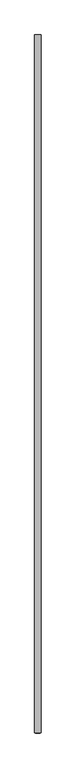
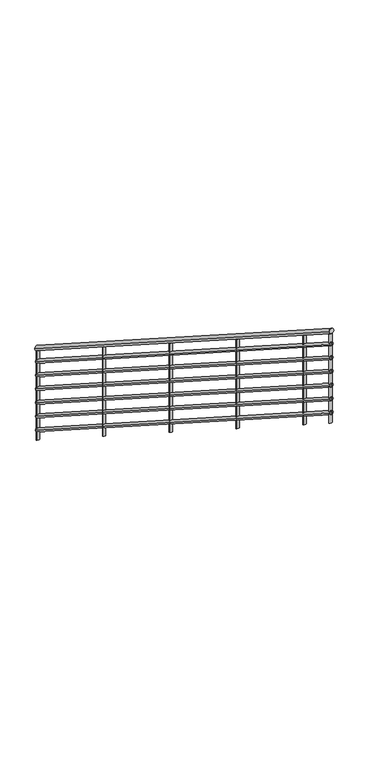
"""IFC4 building model written with IfcOpenShell, lengths in millimetres: railing geometry."""

from ifc_helpers import new_model, si_unit, frame, origin, place, context, project, spatial, ellipse_curve, source, transform, mapped, element, save
from ifc_brep_helpers import plane_surface, cylinder_surface, advanced_brep


def railing_db334da6(model_context):
    return source(origin(), model_context, "Body", "AdvancedBrep", [
        advanced_brep(
        [(187.2427718, -30005.6438645, 1052.7068065), (227.2427718, -30005.6438645, 1052.7068065), (187.2427718, -34405.6438645, 3876.2362183), (227.2427718, -34405.6438645, 3876.2362183)],
        [
            (0, 1, ellipse_curve(frame((207.2427718, -30005.6438645, 1052.7068065), z_axis=(0.0, 1.0, 0.0), x_axis=(0.0, 0.0, -1.0)), 23.7637817, 20.0)),
            (1, 0, ellipse_curve(frame((207.2427718, -30005.6438645, 1052.7068065), z_axis=(0.0, 1.0, 0.0), x_axis=(0.0, 0.0, -1.0)), 23.7637817, 20.0)),
            (2, 3, ellipse_curve(frame((207.2427718, -34405.6438645, 3876.2362183), z_axis=(0.0, -1.0, 0.0), x_axis=(0.0, 0.0, -1.0)), 23.7637817, 20.0)),
            (3, 2, ellipse_curve(frame((207.2427718, -34405.6438645, 3876.2362183), z_axis=(0.0, -1.0, 0.0), x_axis=(0.0, 0.0, -1.0)), 23.7637817, 20.0)),
            (0, 2),
            (3, 1),
        ],
        [
            plane_surface(frame((207.2427718, -30005.6438645, 1076.4705882), z_axis=(0.0, 1.0, 0.0), x_axis=(0.0, 0.0, -1.0))),
            plane_surface(frame((207.2427718, -34405.6438645, 3900.0), z_axis=(0.0, -1.0, 0.0), x_axis=(0.0, 0.0, -1.0))),
            cylinder_surface(frame((207.2427718, -30016.4453647, 1059.6382505), z_axis=(0.0, 0.841616887662225, -0.5400750081254915), x_axis=(1.0, 0.0, 0.0)), 20.0),
        ],
        [
            (0, [[1, 2]]),
            (1, [[3, 4]]),
            (2, [[-1, 5, -4, 6]]),
            (2, [[-2, -6, -3, -5]]),
        ],
    ),
        advanced_brep(
        [(192.2427718, -30005.6438645, 933.647752), (222.2427718, -30005.6438645, 933.647752), (192.2427718, -34405.6438645, 3757.1771637), (222.2427718, -34405.6438645, 3757.1771637)],
        [
            (0, 1, ellipse_curve(frame((207.2427718, -30005.6438645, 933.647752), z_axis=(0.0, 1.0, 0.0), x_axis=(0.0, 0.0, -1.0)), 17.8228363, 15.0)),
            (1, 0, ellipse_curve(frame((207.2427718, -30005.6438645, 933.647752), z_axis=(0.0, 1.0, 0.0), x_axis=(0.0, 0.0, -1.0)), 17.8228363, 15.0)),
            (2, 3, ellipse_curve(frame((207.2427718, -34405.6438645, 3757.1771637), z_axis=(0.0, -1.0, 0.0), x_axis=(0.0, 0.0, -1.0)), 17.8228363, 15.0)),
            (3, 2, ellipse_curve(frame((207.2427718, -34405.6438645, 3757.1771637), z_axis=(0.0, -1.0, 0.0), x_axis=(0.0, 0.0, -1.0)), 17.8228363, 15.0)),
            (0, 2),
            (3, 1),
        ],
        [
            plane_surface(frame((207.2427718, -30005.6438645, 951.4705882), z_axis=(0.0, 1.0, 0.0), x_axis=(0.0, 0.0, -1.0))),
            plane_surface(frame((207.2427718, -34405.6438645, 3775.0), z_axis=(0.0, -1.0, 0.0), x_axis=(0.0, 0.0, -1.0))),
            cylinder_surface(frame((207.2427718, -30013.7449896, 938.8463349), z_axis=(0.0, 0.841616887662225, -0.5400750081254915), x_axis=(1.0, 0.0, 0.0)), 15.0),
        ],
        [
            (0, [[1, 2]]),
            (1, [[3, 4]]),
            (2, [[-1, 5, -4, 6]]),
            (2, [[-2, -6, -3, -5]]),
        ],
    ),
        advanced_brep(
        [(192.2427718, -30005.6438645, 808.647752), (222.2427718, -30005.6438645, 808.647752), (192.2427718, -34405.6438645, 3632.1771637), (222.2427718, -34405.6438645, 3632.1771637)],
        [
            (0, 1, ellipse_curve(frame((207.2427718, -30005.6438645, 808.647752), z_axis=(0.0, 1.0, 0.0), x_axis=(0.0, 0.0, -1.0)), 17.8228363, 15.0)),
            (1, 0, ellipse_curve(frame((207.2427718, -30005.6438645, 808.647752), z_axis=(0.0, 1.0, 0.0), x_axis=(0.0, 0.0, -1.0)), 17.8228363, 15.0)),
            (2, 3, ellipse_curve(frame((207.2427718, -34405.6438645, 3632.1771637), z_axis=(0.0, -1.0, 0.0), x_axis=(0.0, 0.0, -1.0)), 17.8228363, 15.0)),
            (3, 2, ellipse_curve(frame((207.2427718, -34405.6438645, 3632.1771637), z_axis=(0.0, -1.0, 0.0), x_axis=(0.0, 0.0, -1.0)), 17.8228363, 15.0)),
            (0, 2),
            (3, 1),
        ],
        [
            plane_surface(frame((207.2427718, -30005.6438645, 826.4705882), z_axis=(0.0, 1.0, 0.0), x_axis=(0.0, 0.0, -1.0))),
            plane_surface(frame((207.2427718, -34405.6438645, 3650.0), z_axis=(0.0, -1.0, 0.0), x_axis=(0.0, 0.0, -1.0))),
            cylinder_surface(frame((207.2427718, -30013.7449896, 813.8463349), z_axis=(0.0, 0.841616887662225, -0.5400750081254915), x_axis=(1.0, 0.0, 0.0)), 15.0),
        ],
        [
            (0, [[1, 2]]),
            (1, [[3, 4]]),
            (2, [[-1, 5, -4, 6]]),
            (2, [[-2, -6, -3, -5]]),
        ],
    ),
        advanced_brep(
        [(192.2427718, -30005.6438645, 683.647752), (222.2427718, -30005.6438645, 683.647752), (192.2427718, -34405.6438645, 3507.1771637), (222.2427718, -34405.6438645, 3507.1771637)],
        [
            (0, 1, ellipse_curve(frame((207.2427718, -30005.6438645, 683.647752), z_axis=(0.0, 1.0, 0.0), x_axis=(0.0, 0.0, -1.0)), 17.8228363, 15.0)),
            (1, 0, ellipse_curve(frame((207.2427718, -30005.6438645, 683.647752), z_axis=(0.0, 1.0, 0.0), x_axis=(0.0, 0.0, -1.0)), 17.8228363, 15.0)),
            (2, 3, ellipse_curve(frame((207.2427718, -34405.6438645, 3507.1771637), z_axis=(0.0, -1.0, 0.0), x_axis=(0.0, 0.0, -1.0)), 17.8228363, 15.0)),
            (3, 2, ellipse_curve(frame((207.2427718, -34405.6438645, 3507.1771637), z_axis=(0.0, -1.0, 0.0), x_axis=(0.0, 0.0, -1.0)), 17.8228363, 15.0)),
            (0, 2),
            (3, 1),
        ],
        [
            plane_surface(frame((207.2427718, -30005.6438645, 701.4705882), z_axis=(0.0, 1.0, 0.0), x_axis=(0.0, 0.0, -1.0))),
            plane_surface(frame((207.2427718, -34405.6438645, 3525.0), z_axis=(0.0, -1.0, 0.0), x_axis=(0.0, 0.0, -1.0))),
            cylinder_surface(frame((207.2427718, -30013.7449896, 688.8463349), z_axis=(0.0, 0.841616887662225, -0.5400750081254915), x_axis=(1.0, 0.0, 0.0)), 15.0),
        ],
        [
            (0, [[1, 2]]),
            (1, [[3, 4]]),
            (2, [[-1, 5, -4, 6]]),
            (2, [[-2, -6, -3, -5]]),
        ],
    ),
        advanced_brep(
        [(192.2427718, -30005.6438645, 558.647752), (222.2427718, -30005.6438645, 558.647752), (192.2427718, -34405.6438645, 3382.1771637), (222.2427718, -34405.6438645, 3382.1771637)],
        [
            (0, 1, ellipse_curve(frame((207.2427718, -30005.6438645, 558.647752), z_axis=(0.0, 1.0, 0.0), x_axis=(0.0, 0.0, -1.0)), 17.8228363, 15.0)),
            (1, 0, ellipse_curve(frame((207.2427718, -30005.6438645, 558.647752), z_axis=(0.0, 1.0, 0.0), x_axis=(0.0, 0.0, -1.0)), 17.8228363, 15.0)),
            (2, 3, ellipse_curve(frame((207.2427718, -34405.6438645, 3382.1771637), z_axis=(0.0, -1.0, 0.0), x_axis=(0.0, 0.0, -1.0)), 17.8228363, 15.0)),
            (3, 2, ellipse_curve(frame((207.2427718, -34405.6438645, 3382.1771637), z_axis=(0.0, -1.0, 0.0), x_axis=(0.0, 0.0, -1.0)), 17.8228363, 15.0)),
            (0, 2),
            (3, 1),
        ],
        [
            plane_surface(frame((207.2427718, -30005.6438645, 576.4705882), z_axis=(0.0, 1.0, 0.0), x_axis=(0.0, 0.0, -1.0))),
            plane_surface(frame((207.2427718, -34405.6438645, 3400.0), z_axis=(0.0, -1.0, 0.0), x_axis=(0.0, 0.0, -1.0))),
            cylinder_surface(frame((207.2427718, -30013.7449896, 563.8463349), z_axis=(0.0, 0.841616887662225, -0.5400750081254915), x_axis=(1.0, 0.0, 0.0)), 15.0),
        ],
        [
            (0, [[1, 2]]),
            (1, [[3, 4]]),
            (2, [[-1, 5, -4, 6]]),
            (2, [[-2, -6, -3, -5]]),
        ],
    ),
        advanced_brep(
        [(192.2427718, -30005.6438645, 433.647752), (222.2427718, -30005.6438645, 433.647752), (192.2427718, -34405.6438645, 3257.1771637), (222.2427718, -34405.6438645, 3257.1771637)],
        [
            (0, 1, ellipse_curve(frame((207.2427718, -30005.6438645, 433.647752), z_axis=(0.0, 1.0, 0.0), x_axis=(0.0, 0.0, -1.0)), 17.8228363, 15.0)),
            (1, 0, ellipse_curve(frame((207.2427718, -30005.6438645, 433.647752), z_axis=(0.0, 1.0, 0.0), x_axis=(0.0, 0.0, -1.0)), 17.8228363, 15.0)),
            (2, 3, ellipse_curve(frame((207.2427718, -34405.6438645, 3257.1771637), z_axis=(0.0, -1.0, 0.0), x_axis=(0.0, 0.0, -1.0)), 17.8228363, 15.0)),
            (3, 2, ellipse_curve(frame((207.2427718, -34405.6438645, 3257.1771637), z_axis=(0.0, -1.0, 0.0), x_axis=(0.0, 0.0, -1.0)), 17.8228363, 15.0)),
            (0, 2),
            (3, 1),
        ],
        [
            plane_surface(frame((207.2427718, -30005.6438645, 451.4705882), z_axis=(0.0, 1.0, 0.0), x_axis=(0.0, 0.0, -1.0))),
            plane_surface(frame((207.2427718, -34405.6438645, 3275.0), z_axis=(0.0, -1.0, 0.0), x_axis=(0.0, 0.0, -1.0))),
            cylinder_surface(frame((207.2427718, -30013.7449896, 438.8463349), z_axis=(0.0, 0.841616887662225, -0.5400750081254915), x_axis=(1.0, 0.0, 0.0)), 15.0),
        ],
        [
            (0, [[1, 2]]),
            (1, [[3, 4]]),
            (2, [[-1, 5, -4, 6]]),
            (2, [[-2, -6, -3, -5]]),
        ],
    ),
        advanced_brep(
        [(192.2427718, -30005.6438645, 308.647752), (222.2427718, -30005.6438645, 308.647752), (192.2427718, -34405.6438645, 3132.1771637), (222.2427718, -34405.6438645, 3132.1771637)],
        [
            (0, 1, ellipse_curve(frame((207.2427718, -30005.6438645, 308.647752), z_axis=(0.0, 1.0, 0.0), x_axis=(0.0, 0.0, -1.0)), 17.8228363, 15.0)),
            (1, 0, ellipse_curve(frame((207.2427718, -30005.6438645, 308.647752), z_axis=(0.0, 1.0, 0.0), x_axis=(0.0, 0.0, -1.0)), 17.8228363, 15.0)),
            (2, 3, ellipse_curve(frame((207.2427718, -34405.6438645, 3132.1771637), z_axis=(0.0, -1.0, 0.0), x_axis=(0.0, 0.0, -1.0)), 17.8228363, 15.0)),
            (3, 2, ellipse_curve(frame((207.2427718, -34405.6438645, 3132.1771637), z_axis=(0.0, -1.0, 0.0), x_axis=(0.0, 0.0, -1.0)), 17.8228363, 15.0)),
            (0, 2),
            (3, 1),
        ],
        [
            plane_surface(frame((207.2427718, -30005.6438645, 326.4705882), z_axis=(0.0, 1.0, 0.0), x_axis=(0.0, 0.0, -1.0))),
            plane_surface(frame((207.2427718, -34405.6438645, 3150.0), z_axis=(0.0, -1.0, 0.0), x_axis=(0.0, 0.0, -1.0))),
            cylinder_surface(frame((207.2427718, -30013.7449896, 313.8463349), z_axis=(0.0, 0.841616887662225, -0.5400750081254915), x_axis=(1.0, 0.0, 0.0)), 15.0),
        ],
        [
            (0, [[1, 2]]),
            (1, [[3, 4]]),
            (2, [[-1, 5, -4, 6]]),
            (2, [[-2, -6, -3, -5]]),
        ],
    ),
        advanced_brep(
        [(219.7427718, -34005.6438645, 3595.7879446), (194.7427718, -34005.6438645, 3595.7879446), (194.7427718, -34005.6438645, 2782.8260947), (219.7427718, -34005.6438645, 2782.8260947)],
        [
            (0, 1, ellipse_curve(frame((207.2427718, -34005.6438645, 3595.7879446), z_axis=(0.0, -0.5400750081254908, -0.8416168876622255), x_axis=(0.0, -0.8416168876622256, 0.5400750081254907)), 14.8523636, 12.5)),
            (1, 2),
            (2, 3, ellipse_curve(frame((207.2427718, -34005.6438645, 2782.8260947), z_axis=(0.0, 0.5400750081254915, 0.8416168876622251), x_axis=(0.0, -0.8416168876622251, 0.5400750081254914)), 14.8523636, 12.5)),
            (3, 0),
            (3, 2, ellipse_curve(frame((207.2427718, -34005.6438645, 2782.8260947), z_axis=(0.0, 0.5400750081254915, 0.8416168876622251), x_axis=(0.0, -0.8416168876622251, 0.5400750081254914)), 14.8523636, 12.5)),
            (1, 0, ellipse_curve(frame((207.2427718, -34005.6438645, 3595.7879446), z_axis=(0.0, -0.5400750081254908, -0.8416168876622255), x_axis=(0.0, -0.8416168876622256, 0.5400750081254907)), 14.8523636, 12.5)),
        ],
        [
            cylinder_surface(frame((207.2427718, -34005.6438645, 2682.8260947), z_axis=(0.0, 0.0, 1.0), x_axis=(-1.0, 0.0, 0.0)), 12.5),
            plane_surface(frame((182.2427718, -34030.6438645, 3611.8307254), z_axis=(0.0, 0.5400750081254908, 0.8416168876622255), x_axis=(1.0, 0.0, 0.0))),
            plane_surface(frame((182.2427718, -33980.6438645, 2766.783314), z_axis=(0.0, -0.5400750081254915, -0.8416168876622251), x_axis=(1.0, 0.0, 0.0))),
        ],
        [
            (0, [[1, 2, 3, 4]]),
            (0, [[5, -2, 6, -4]]),
            (1, [[-6, -1]]),
            (2, [[-5, -3]]),
        ],
    ),
        advanced_brep(
        [(219.7427718, -33005.6438645, 2954.0767147), (194.7427718, -33005.6438645, 2954.0767147), (194.7427718, -33005.6438645, 2141.1148648), (219.7427718, -33005.6438645, 2141.1148648)],
        [
            (0, 1, ellipse_curve(frame((207.2427718, -33005.6438645, 2954.0767147), z_axis=(0.0, -0.5400750081254908, -0.8416168876622255), x_axis=(0.0, -0.8416168876622256, 0.5400750081254907)), 14.8523636, 12.5)),
            (1, 2),
            (2, 3, ellipse_curve(frame((207.2427718, -33005.6438645, 2141.1148648), z_axis=(0.0, 0.5400750081254915, 0.8416168876622251), x_axis=(0.0, -0.8416168876622251, 0.5400750081254914)), 14.8523636, 12.5)),
            (3, 0),
            (3, 2, ellipse_curve(frame((207.2427718, -33005.6438645, 2141.1148648), z_axis=(0.0, 0.5400750081254915, 0.8416168876622251), x_axis=(0.0, -0.8416168876622251, 0.5400750081254914)), 14.8523636, 12.5)),
            (1, 0, ellipse_curve(frame((207.2427718, -33005.6438645, 2954.0767147), z_axis=(0.0, -0.5400750081254908, -0.8416168876622255), x_axis=(0.0, -0.8416168876622256, 0.5400750081254907)), 14.8523636, 12.5)),
        ],
        [
            cylinder_surface(frame((207.2427718, -33005.6438645, 2041.1148648), z_axis=(0.0, 0.0, 1.0), x_axis=(-1.0, 0.0, 0.0)), 12.5),
            plane_surface(frame((182.2427718, -33030.6438645, 2970.1194954), z_axis=(0.0, 0.5400750081254908, 0.8416168876622255), x_axis=(1.0, 0.0, 0.0))),
            plane_surface(frame((182.2427718, -32980.6438645, 2125.072084), z_axis=(0.0, -0.5400750081254915, -0.8416168876622251), x_axis=(1.0, 0.0, 0.0))),
        ],
        [
            (0, [[1, 2, 3, 4]]),
            (0, [[5, -2, 6, -4]]),
            (1, [[-6, -1]]),
            (2, [[-5, -3]]),
        ],
    ),
        advanced_brep(
        [(219.7427718, -32005.6438645, 2312.3654847), (194.7427718, -32005.6438645, 2312.3654847), (194.7427718, -32005.6438645, 1499.4036348), (219.7427718, -32005.6438645, 1499.4036348)],
        [
            (0, 1, ellipse_curve(frame((207.2427718, -32005.6438645, 2312.3654847), z_axis=(0.0, -0.5400750081254908, -0.8416168876622255), x_axis=(0.0, -0.8416168876622256, 0.5400750081254907)), 14.8523636, 12.5)),
            (1, 2),
            (2, 3, ellipse_curve(frame((207.2427718, -32005.6438645, 1499.4036348), z_axis=(0.0, 0.5400750081254915, 0.8416168876622251), x_axis=(0.0, -0.8416168876622251, 0.5400750081254914)), 14.8523636, 12.5)),
            (3, 0),
            (3, 2, ellipse_curve(frame((207.2427718, -32005.6438645, 1499.4036348), z_axis=(0.0, 0.5400750081254915, 0.8416168876622251), x_axis=(0.0, -0.8416168876622251, 0.5400750081254914)), 14.8523636, 12.5)),
            (1, 0, ellipse_curve(frame((207.2427718, -32005.6438645, 2312.3654847), z_axis=(0.0, -0.5400750081254908, -0.8416168876622255), x_axis=(0.0, -0.8416168876622256, 0.5400750081254907)), 14.8523636, 12.5)),
        ],
        [
            cylinder_surface(frame((207.2427718, -32005.6438645, 1399.4036348), z_axis=(0.0, 0.0, 1.0), x_axis=(-1.0, 0.0, 0.0)), 12.5),
            plane_surface(frame((182.2427718, -32030.6438645, 2328.4082655), z_axis=(0.0, 0.5400750081254908, 0.8416168876622255), x_axis=(1.0, 0.0, 0.0))),
            plane_surface(frame((182.2427718, -31980.6438645, 1483.3608541), z_axis=(0.0, -0.5400750081254915, -0.8416168876622251), x_axis=(1.0, 0.0, 0.0))),
        ],
        [
            (0, [[1, 2, 3, 4]]),
            (0, [[5, -2, 6, -4]]),
            (1, [[-6, -1]]),
            (2, [[-5, -3]]),
        ],
    ),
        advanced_brep(
        [(219.7427718, -31005.6438645, 1670.6542548), (194.7427718, -31005.6438645, 1670.6542548), (194.7427718, -31005.6438645, 857.6924049), (219.7427718, -31005.6438645, 857.6924049)],
        [
            (0, 1, ellipse_curve(frame((207.2427718, -31005.6438645, 1670.6542548), z_axis=(0.0, -0.5400750081254908, -0.8416168876622255), x_axis=(0.0, -0.8416168876622256, 0.5400750081254907)), 14.8523636, 12.5)),
            (1, 2),
            (2, 3, ellipse_curve(frame((207.2427718, -31005.6438645, 857.6924049), z_axis=(0.0, 0.5400750081254915, 0.8416168876622251), x_axis=(0.0, -0.8416168876622251, 0.5400750081254914)), 14.8523636, 12.5)),
            (3, 0),
            (3, 2, ellipse_curve(frame((207.2427718, -31005.6438645, 857.6924049), z_axis=(0.0, 0.5400750081254915, 0.8416168876622251), x_axis=(0.0, -0.8416168876622251, 0.5400750081254914)), 14.8523636, 12.5)),
            (1, 0, ellipse_curve(frame((207.2427718, -31005.6438645, 1670.6542548), z_axis=(0.0, -0.5400750081254908, -0.8416168876622255), x_axis=(0.0, -0.8416168876622256, 0.5400750081254907)), 14.8523636, 12.5)),
        ],
        [
            cylinder_surface(frame((207.2427718, -31005.6438645, 757.6924049), z_axis=(0.0, 0.0, 1.0), x_axis=(-1.0, 0.0, 0.0)), 12.5),
            plane_surface(frame((182.2427718, -31030.6438645, 1686.6970355), z_axis=(0.0, 0.5400750081254908, 0.8416168876622255), x_axis=(1.0, 0.0, 0.0))),
            plane_surface(frame((182.2427718, -30980.6438645, 841.6496241), z_axis=(0.0, -0.5400750081254915, -0.8416168876622251), x_axis=(1.0, 0.0, 0.0))),
        ],
        [
            (0, [[1, 2, 3, 4]]),
            (0, [[5, -2, 6, -4]]),
            (1, [[-6, -1]]),
            (2, [[-5, -3]]),
        ],
    ),
        advanced_brep(
        [(219.7427718, -34393.1438645, 3844.4510462), (194.7427718, -34393.1438645, 3844.4510462), (194.7427718, -34393.1438645, 3031.4891963), (219.7427718, -34393.1438645, 3031.4891963)],
        [
            (0, 1, ellipse_curve(frame((207.2427718, -34393.1438645, 3844.4510462), z_axis=(0.0, -0.5400750081254908, -0.8416168876622255), x_axis=(0.0, -0.8416168876622256, 0.5400750081254907)), 14.8523636, 12.5)),
            (1, 2),
            (2, 3, ellipse_curve(frame((207.2427718, -34393.1438645, 3031.4891963), z_axis=(0.0, 0.5400750081254915, 0.8416168876622251), x_axis=(0.0, -0.8416168876622251, 0.5400750081254914)), 14.8523636, 12.5)),
            (3, 0),
            (3, 2, ellipse_curve(frame((207.2427718, -34393.1438645, 3031.4891963), z_axis=(0.0, 0.5400750081254915, 0.8416168876622251), x_axis=(0.0, -0.8416168876622251, 0.5400750081254914)), 14.8523636, 12.5)),
            (1, 0, ellipse_curve(frame((207.2427718, -34393.1438645, 3844.4510462), z_axis=(0.0, -0.5400750081254908, -0.8416168876622255), x_axis=(0.0, -0.8416168876622256, 0.5400750081254907)), 14.8523636, 12.5)),
        ],
        [
            cylinder_surface(frame((207.2427718, -34393.1438645, 2931.4891963), z_axis=(0.0, 0.0, 1.0), x_axis=(-1.0, 0.0, 0.0)), 12.5),
            plane_surface(frame((182.2427718, -34418.1438645, 3860.493827), z_axis=(0.0, 0.5400750081254908, 0.8416168876622255), x_axis=(1.0, 0.0, 0.0))),
            plane_surface(frame((182.2427718, -34368.1438645, 3015.4464156), z_axis=(0.0, -0.5400750081254915, -0.8416168876622251), x_axis=(1.0, 0.0, 0.0))),
        ],
        [
            (0, [[1, 2, 3, 4]]),
            (0, [[5, -2, 6, -4]]),
            (1, [[-6, -1]]),
            (2, [[-5, -3]]),
        ],
    ),
        advanced_brep(
        [(219.7427718, -30018.1438645, 1036.9644152), (194.7427718, -30018.1438645, 1036.9644152), (194.7427718, -30018.1438645, 224.0025653), (219.7427718, -30018.1438645, 224.0025653)],
        [
            (0, 1, ellipse_curve(frame((207.2427718, -30018.1438645, 1036.9644152), z_axis=(0.0, -0.5400750081254908, -0.8416168876622255), x_axis=(0.0, -0.8416168876622256, 0.5400750081254907)), 14.8523636, 12.5)),
            (1, 2),
            (2, 3, ellipse_curve(frame((207.2427718, -30018.1438645, 224.0025653), z_axis=(0.0, 0.5400750081254915, 0.8416168876622251), x_axis=(0.0, -0.8416168876622251, 0.5400750081254914)), 14.8523636, 12.5)),
            (3, 0),
            (3, 2, ellipse_curve(frame((207.2427718, -30018.1438645, 224.0025653), z_axis=(0.0, 0.5400750081254915, 0.8416168876622251), x_axis=(0.0, -0.8416168876622251, 0.5400750081254914)), 14.8523636, 12.5)),
            (1, 0, ellipse_curve(frame((207.2427718, -30018.1438645, 1036.9644152), z_axis=(0.0, -0.5400750081254908, -0.8416168876622255), x_axis=(0.0, -0.8416168876622256, 0.5400750081254907)), 14.8523636, 12.5)),
        ],
        [
            cylinder_surface(frame((207.2427718, -30018.1438645, 124.0025653), z_axis=(0.0, 0.0, 1.0), x_axis=(-1.0, 0.0, 0.0)), 12.5),
            plane_surface(frame((182.2427718, -30043.1438645, 1053.0071959), z_axis=(0.0, 0.5400750081254908, 0.8416168876622255), x_axis=(1.0, 0.0, 0.0))),
            plane_surface(frame((182.2427718, -29993.1438645, 207.9597846), z_axis=(0.0, -0.5400750081254915, -0.8416168876622251), x_axis=(1.0, 0.0, 0.0))),
        ],
        [
            (0, [[1, 2, 3, 4]]),
            (0, [[5, -2, 6, -4]]),
            (1, [[-6, -1]]),
            (2, [[-5, -3]]),
        ],
    ),
    ])


if __name__ == "__main__":
    model = new_model("IFC4")
    model_context = context("Model", 3, world=origin())
    ifc_project = project(units=[si_unit("LENGTHUNIT", "METRE", prefix="MILLI")], contexts=[model_context])
    site = spatial("IfcSite", under=ifc_project)
    building = spatial("IfcBuilding", under=site)
    placement = place(None, origin())
    railing_shape = railing_db334da6(model_context)
    element("IfcRailing", 1, at=placement, inside=building, context=model_context, shape_type="MappedRepresentation", body=[
        mapped(railing_shape, transform((0.0, 0.0, 0.0), x_axis=(1.0, 0.0, 0.0), y_axis=(0.0, 1.0, 0.0), z_axis=(0.0, 0.0, 1.0))),
    ])
    save(model, "model.ifc")
